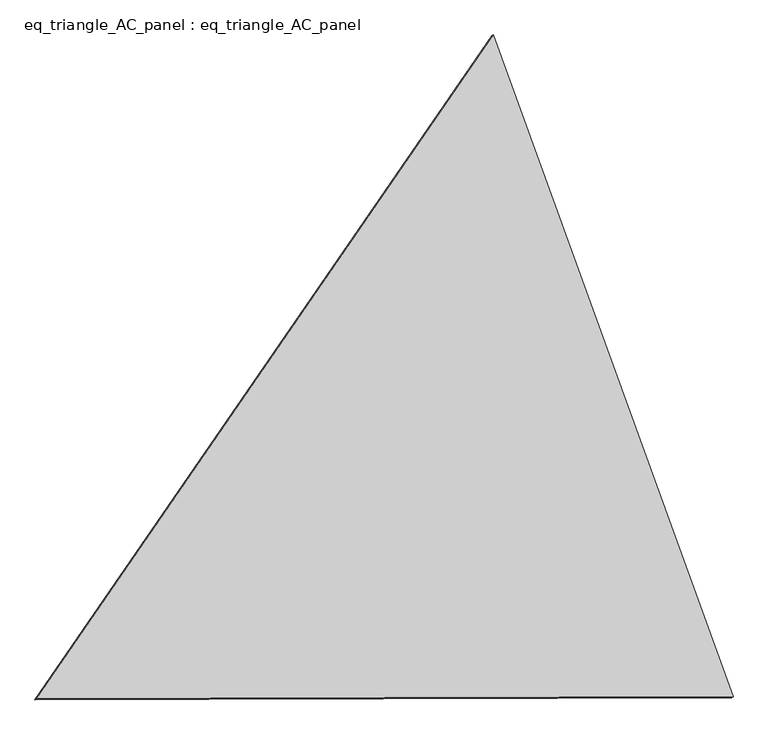
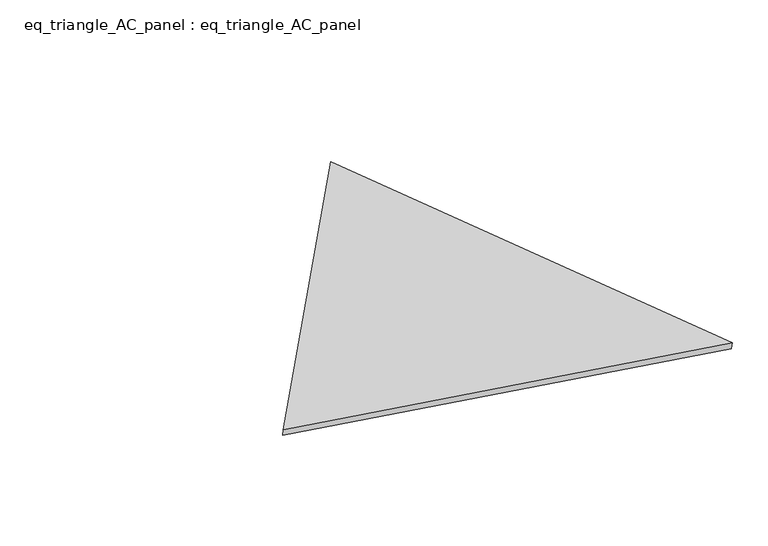
"""IFC4 building model written with IfcOpenShell, lengths in millimetres: proxy geometry, eq_triangle_AC_panel : eq_triangle_AC_panel."""

from ifc_helpers import new_model, si_unit, frame, origin, place, context, project, spatial, polyline, outline, extrude, source, transform, mapped, element, save


def eq_triangle_ac_panel_eq_triangle_ac_panel_44645be9(model_context):
    return source(origin(), model_context, "Body", "SweptSolid", [
        extrude(outline(polyline([(-1940.5899078, 1097.0973892), (1545.6135673, 1097.0973891), (394.9763404, -2194.1947784), (-1940.5899078, 1097.0973892)])), frame((0.0038051, 527.9290861, 89.8240019), z_axis=(0.1452632851805817, 0.08386570281802203, 0.9858321976225894), x_axis=(0.34084059025411256, -0.9396514126055009, 0.02971388267653327)), (0.0, 0.0, 1.0), 43.8306294),
    ])


if __name__ == "__main__":
    model = new_model("IFC4")
    model_context = context("Model", 3, world=origin())
    ifc_project = project(units=[si_unit("LENGTHUNIT", "METRE", prefix="MILLI")], contexts=[model_context])
    site = spatial("IfcSite", under=ifc_project)
    building = spatial("IfcBuilding", under=site)
    placement = place(None, origin())
    eq_triangle_ac_panel_eq_triangle_ac_panel_shape = eq_triangle_ac_panel_eq_triangle_ac_panel_44645be9(model_context)
    element("IfcBuildingElementProxy", 1, Name="eq_triangle_AC_panel : eq_triangle_AC_panel", ObjectType="eq_triangle_AC_panel : eq_triangle_AC_panel", at=placement, inside=building, context=model_context, shape_type="MappedRepresentation", body=[
        mapped(eq_triangle_ac_panel_eq_triangle_ac_panel_shape, transform((0.0, 0.0, 0.0), x_axis=(1.0, 0.0, 0.0), y_axis=(0.0, 1.0, 0.0), z_axis=(0.0, 0.0, 1.0))),
    ])
    save(model, "model.ifc")
